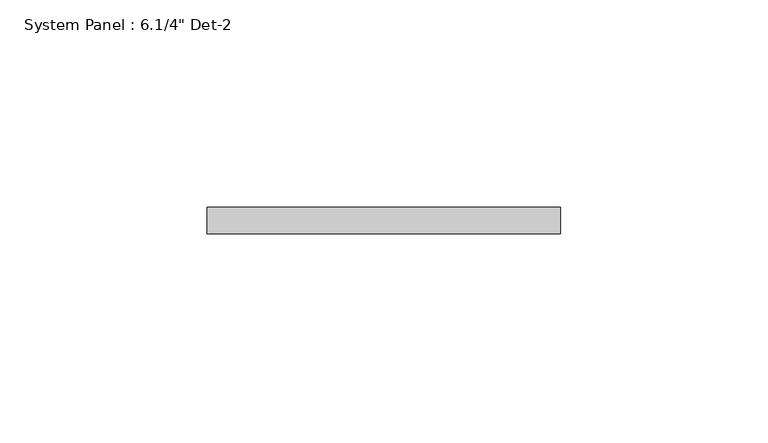
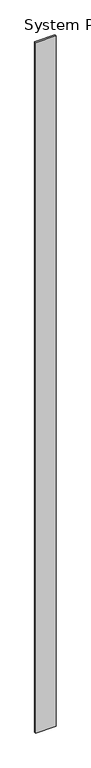
"""IFC4 building model written with IfcOpenShell, lengths in millimetres: plate geometry."""

from ifc_helpers import new_model, si_unit, origin, origin_with_axes, place, context, project, spatial, polyline, outline, extrude, source, transform, mapped, element, save


def plate_a456c3dc(model_context):
    return source(origin(), model_context, "Body", "SweptSolid", [
        extrude(outline(polyline([(42.6657043, -6.35), (-42.6657043, -6.35), (-42.6657043, 0.0), (42.6657043, 0.0), (42.6657043, -6.35)])), origin_with_axes(), (0.0, 0.0, 1.0), 3048.0),
    ])


if __name__ == "__main__":
    model = new_model("IFC4")
    model_context = context("Model", 3, world=origin())
    ifc_project = project(units=[si_unit("LENGTHUNIT", "METRE", prefix="MILLI")], contexts=[model_context])
    site = spatial("IfcSite", under=ifc_project)
    building = spatial("IfcBuilding", under=site)
    placement = place(None, origin())
    plate_shape = plate_a456c3dc(model_context)
    element("IfcPlate", 1, ObjectType="System Panel : 6.1/4\" Det-2", at=placement, inside=building, context=model_context, shape_type="MappedRepresentation", body=[
        mapped(plate_shape, transform((0.0, 0.0, 0.0), x_axis=(1.0, 0.0, 0.0), y_axis=(0.0, 1.0, 0.0), z_axis=(0.0, 0.0, 1.0))),
    ])
    save(model, "model.ifc")
